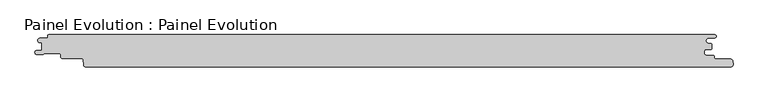
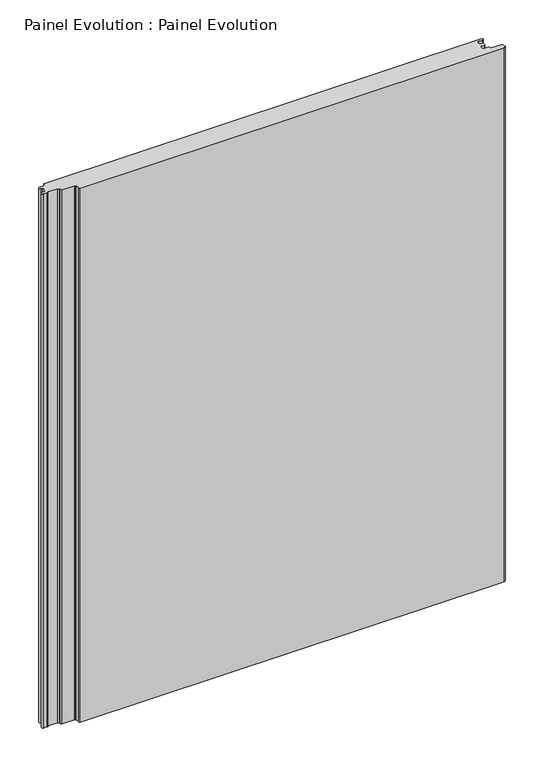
"""IFC4 building model written with IfcOpenShell, lengths in millimetres: proxy geometry, Painel Evolution : Painel Evolution."""

from ifc_helpers import new_model, si_unit, point, frame_2d, origin, origin_with_axes, place, context, project, spatial, polyline, circle_curve, trimmed, segment, composite_curve, outline, extrude, source, transform, mapped, element, save


def painel_evolution_painel_evolution_c9428ed7(model_context):
    return source(origin(), model_context, "Body", "SweptSolid", [
        extrude(outline(composite_curve([segment(trimmed(circle_curve(frame_2d((511.313274, 9.7225035)), 1.5999999), [point((511.5911111, 11.2981958))], [point((512.912729, 9.7642596))], False, "CARTESIAN"), True, "CONTINUOUS"), segment(polyline([(512.912729, 9.7642596), (512.912729, 3.1436506)]), True, "CONTINUOUS"), segment(trimmed(circle_curve(frame_2d((511.8673147, 3.1436506)), 1.0454142), [point((512.912729, 3.1436506))], [point((511.8673147, 2.0982364))], False, "CARTESIAN"), True, "CONTINUOUS"), segment(polyline([(511.8673147, 2.0982364), (503.9512072, 2.0982364)]), True, "CONTINUOUS"), segment(trimmed(circle_curve(frame_2d((503.9512072, -0.2517635)), 2.3499999), [point((503.9512072, 2.0982364))], [point((501.6012073, -0.2517635))], True, "CARTESIAN"), True, "CONTINUOUS"), segment(polyline([(501.6012073, -0.2517635), (501.6012073, -4.6548179)]), True, "CONTINUOUS"), segment(trimmed(circle_curve(frame_2d((503.9512072, -4.6548179)), 2.3499999), [point((501.6012073, -4.6548179))], [point((503.9512072, -7.0048179))], True, "CARTESIAN"), True, "CONTINUOUS"), segment(polyline([(503.9512072, -7.0048179), (514.620698, -7.0048179)]), True, "CONTINUOUS"), segment(trimmed(circle_curve(frame_2d((514.620698, -9.4048179)), 2.4), [point((514.620698, -7.0048179))], [point((517.020698, -9.4048179))], False, "CARTESIAN"), True, "CONTINUOUS"), segment(polyline([(517.020698, -9.4048179), (517.020698, -11.4048176)]), True, "CONTINUOUS"), segment(trimmed(circle_curve(frame_2d((518.620698, -11.4048176)), 1.6), [point((517.020698, -11.4048176))], [point((518.620698, -13.0048176))], True, "CARTESIAN"), True, "CONTINUOUS"), segment(polyline([(518.620698, -13.0048176), (542.0114544, -13.0048176)]), True, "CONTINUOUS"), segment(trimmed(circle_curve(frame_2d((542.0114544, -16.7048175)), 3.6999999), [point((542.0114544, -13.0048176))], [point((545.6606899, -16.0940152))], False, "CARTESIAN"), True, "CONTINUOUS"), segment(polyline([(545.6606899, -16.0940152), (546.1021208, -21.1370337)]), True, "CONTINUOUS"), segment(trimmed(circle_curve(frame_2d((542.5514013, -21.4373369)), 3.563396), [point((546.1021208, -21.1370337))], [point((542.6236695, -25.0))], False, "CARTESIAN"), True, "CONTINUOUS"), segment(polyline([(542.6236695, -25.0), (-459.4023864, -25.0)]), True, "CONTINUOUS"), segment(trimmed(circle_curve(frame_2d((-459.3507103, -22.1106339)), 2.8898282), [point((-459.4023864, -25.0))], [point((-462.2295384, -22.3625382))], False, "CARTESIAN"), True, "CONTINUOUS"), segment(polyline([(-462.2295384, -22.3625382), (-462.9760411, -13.8313116)]), True, "CONTINUOUS"), segment(trimmed(circle_curve(frame_2d((-464.9959051, -14.0080546)), 2.027582), [point((-462.9760411, -13.8313116))], [point((-463.3872648, -12.7738078))], True, "CARTESIAN"), True, "CONTINUOUS"), segment(trimmed(circle_curve(frame_2d((-464.9740222, -13.9912647)), 2.0), [point((-463.3872648, -12.7738078))], [point((-464.9818684, -11.99128))], True, "CARTESIAN"), True, "CONTINUOUS"), segment(polyline([(-464.9818684, -11.99128), (-494.9687938, -11.99128)]), True, "CONTINUOUS"), segment(trimmed(circle_curve(frame_2d((-494.9687938, -9.19128)), 2.8), [point((-494.9687938, -11.99128))], [point((-497.7687939, -9.19128))], False, "CARTESIAN"), True, "CONTINUOUS"), segment(polyline([(-497.7687939, -9.19128), (-497.7687939, -6.9007195)]), True, "CONTINUOUS"), segment(trimmed(circle_curve(frame_2d((-500.7687939, -6.9007195)), 3.0), [point((-497.7687939, -6.9007195))], [point((-500.7687939, -3.9007195))], True, "CARTESIAN"), True, "CONTINUOUS"), segment(polyline([(-500.7687939, -3.9007195), (-522.8062687, -3.9007195)]), True, "CONTINUOUS"), segment(trimmed(circle_curve(frame_2d((-522.8062687, -5.5007195)), 1.6), [point((-522.8062687, -3.9007195))], [point((-524.0123453, -4.4493494))], True, "CARTESIAN"), True, "CONTINUOUS"), segment(trimmed(circle_curve(frame_2d((-526.7593331, -2.7294942)), 3.2409634), [point((-524.0123453, -4.4493494))], [point((-525.2140128, -5.5783236))], False, "CARTESIAN"), True, "CONTINUOUS"), segment(trimmed(circle_curve(frame_2d((-526.3266399, -3.4518098)), 2.4), [point((-525.2140128, -5.5783236))], [point((-526.4215824, -5.8499312))], False, "CARTESIAN"), True, "CONTINUOUS"), segment(polyline([(-526.4215824, -5.8499312), (-534.7667193, -5.8499312)]), True, "CONTINUOUS"), segment(trimmed(circle_curve(frame_2d((-534.7667193, -2.5812398)), 3.2686913), [point((-534.7667193, -5.8499312))], [point((-534.9577702, 0.6818634))], False, "CARTESIAN"), True, "CONTINUOUS"), segment(polyline([(-534.9577702, 0.6818634), (-527.1155186, 0.6818634), (-527.1155186, 12.4922678), (-530.6488863, 12.4922678)]), True, "CONTINUOUS"), segment(trimmed(circle_curve(frame_2d((-529.8390625, 16.0)), 3.6), [point((-530.6488863, 12.4922678))], [point((-529.8390625, 19.6))], False, "CARTESIAN"), True, "CONTINUOUS"), segment(polyline([(-529.8390625, 19.6), (-520.0390625, 19.6)]), True, "CONTINUOUS"), segment(trimmed(circle_curve(frame_2d((-520.0390625, 21.6)), 2.0), [point((-520.0390625, 19.6))], [point((-518.0390625, 21.6))], True, "CARTESIAN"), True, "CONTINUOUS"), segment(polyline([(-518.0390625, 21.6), (-518.0390625, 23.0)]), True, "CONTINUOUS"), segment(trimmed(circle_curve(frame_2d((-516.0390625, 23.0)), 2.0), [point((-518.0390625, 23.0))], [point((-516.0390625, 25.0))], False, "CARTESIAN"), True, "CONTINUOUS"), segment(polyline([(-516.0390625, 25.0), (517.4609375, 25.0)]), True, "CONTINUOUS"), segment(trimmed(circle_curve(frame_2d((517.4609375, 22.5)), 2.5), [point((517.4609375, 25.0))], [point((517.4609375, 20.0))], False, "CARTESIAN"), True, "CONTINUOUS"), segment(polyline([(517.4609375, 20.0), (508.1893843, 20.0)]), True, "CONTINUOUS"), segment(trimmed(circle_curve(frame_2d((508.1893843, 15.6490979)), 4.3509021), [point((508.1893843, 20.0))], [point((508.1893843, 11.2981958))], True, "CARTESIAN"), True, "CONTINUOUS"), segment(polyline([(508.1893843, 11.2981958), (511.5911111, 11.2981958)]), True, "CONTINUOUS")], self_intersect=False)), origin_with_axes(), (0.0, 0.0, 1.0), 1333.3333333),
    ])


if __name__ == "__main__":
    model = new_model("IFC4")
    model_context = context("Model", 3, world=origin())
    ifc_project = project(units=[si_unit("LENGTHUNIT", "METRE", prefix="MILLI")], contexts=[model_context])
    site = spatial("IfcSite", under=ifc_project)
    building = spatial("IfcBuilding", under=site)
    placement = place(None, origin())
    painel_evolution_painel_evolution_shape = painel_evolution_painel_evolution_c9428ed7(model_context)
    element("IfcBuildingElementProxy", 1, Name="Painel Evolution : Painel Evolution", ObjectType="Painel Evolution : Painel Evolution", at=placement, inside=building, context=model_context, shape_type="MappedRepresentation", body=[
        mapped(painel_evolution_painel_evolution_shape, transform((0.0, 0.0, 0.0), x_axis=(1.0, 0.0, 0.0), y_axis=(0.0, 1.0, 0.0), z_axis=(0.0, 0.0, 1.0))),
    ])
    save(model, "model.ifc")
